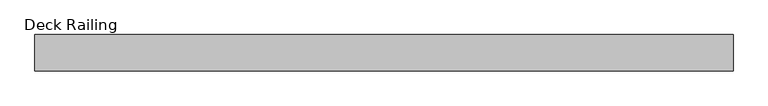
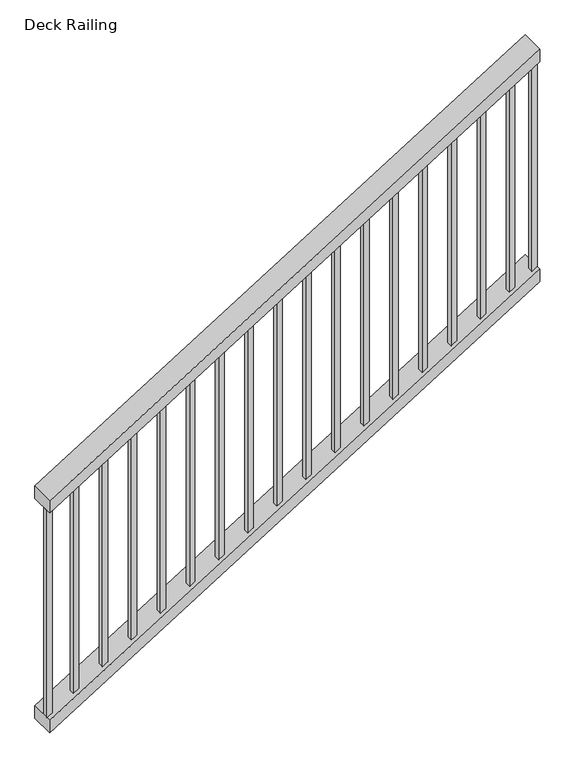
"""IFC4 building model written with IfcOpenShell, lengths in millimetres: railing geometry, Deck Railing."""

from ifc_helpers import new_model, si_unit, frame, origin, place, context, project, spatial, polyline, outline, extrude, source, transform, mapped, element, save


def deck_railing_d9fa50ce(model_context):
    return source(origin(), model_context, "Body", "SweptSolid", [
        extrude(outline(polyline([(1088.5714286, -10449.8871552), (1043.6748436, -10449.8871552), (2112.4540644, -8735.3871552), (2157.3506494, -8735.3871552), (1088.5714286, -10449.8871552)])), frame((0.0, -538.2167866, 0.0), z_axis=(0.0, 1.0, 0.0), x_axis=(0.0, 0.0, 1.0)), (0.0, 0.0, 1.0), 88.9),
        extrude(outline(polyline([(275.7714286, -10449.8871552), (230.8748436, -10449.8871552), (1299.6540644, -8735.3871552), (1344.5506494, -8735.3871552), (275.7714286, -10449.8871552)])), frame((0.0, -538.2167866, 0.0), z_axis=(0.0, 1.0, 0.0), x_axis=(0.0, 0.0, 1.0)), (0.0, 0.0, 1.0), 88.9),
        extrude(outline(polyline([(2051.0982202, -8833.8121552), (1283.1948052, -8833.8121552), (1295.0701299, -8814.7621552), (2062.9735449, -8814.7621552), (2051.0982202, -8833.8121552)])), frame((0.0, -522.3417866, 0.0), z_axis=(0.0, 1.0, 0.0), x_axis=(0.0, 0.0, 1.0)), (0.0, 0.0, 1.0), 19.05),
        extrude(outline(polyline([(1987.7631553, -8935.4121552), (1219.8597403, -8935.4121552), (1231.7350649, -8916.3621552), (1999.6384799, -8916.3621552), (1987.7631553, -8935.4121552)])), frame((0.0, -522.3417866, 0.0), z_axis=(0.0, 1.0, 0.0), x_axis=(0.0, 0.0, 1.0)), (0.0, 0.0, 1.0), 19.05),
        extrude(outline(polyline([(1924.4280903, -9037.0121552), (1156.5246753, -9037.0121552), (1168.4, -9017.9621552), (1936.303415, -9017.9621552), (1924.4280903, -9037.0121552)])), frame((0.0, -522.3417866, 0.0), z_axis=(0.0, 1.0, 0.0), x_axis=(0.0, 0.0, 1.0)), (0.0, 0.0, 1.0), 19.05),
        extrude(outline(polyline([(1861.0930254, -9138.6121552), (1093.1896104, -9138.6121552), (1105.0649351, -9119.5621552), (1872.9683501, -9119.5621552), (1861.0930254, -9138.6121552)])), frame((0.0, -522.3417866, 0.0), z_axis=(0.0, 1.0, 0.0), x_axis=(0.0, 0.0, 1.0)), (0.0, 0.0, 1.0), 19.05),
        extrude(outline(polyline([(1797.7579605, -9240.2121552), (1029.8545455, -9240.2121552), (1041.7298701, -9221.1621552), (1809.6332851, -9221.1621552), (1797.7579605, -9240.2121552)])), frame((0.0, -522.3417866, 0.0), z_axis=(0.0, 1.0, 0.0), x_axis=(0.0, 0.0, 1.0)), (0.0, 0.0, 1.0), 19.05),
        extrude(outline(polyline([(1734.4228955, -9341.8121552), (966.5194805, -9341.8121552), (978.3948052, -9322.7621552), (1746.2982202, -9322.7621552), (1734.4228955, -9341.8121552)])), frame((0.0, -522.3417866, 0.0), z_axis=(0.0, 1.0, 0.0), x_axis=(0.0, 0.0, 1.0)), (0.0, 0.0, 1.0), 19.05),
        extrude(outline(polyline([(1671.0878306, -9443.4121552), (903.1844156, -9443.4121552), (915.0597403, -9424.3621552), (1682.9631553, -9424.3621552), (1671.0878306, -9443.4121552)])), frame((0.0, -522.3417866, 0.0), z_axis=(0.0, 1.0, 0.0), x_axis=(0.0, 0.0, 1.0)), (0.0, 0.0, 1.0), 19.05),
        extrude(outline(polyline([(1607.7527657, -9545.0121552), (839.8493506, -9545.0121552), (851.7246753, -9525.9621552), (1619.6280903, -9525.9621552), (1607.7527657, -9545.0121552)])), frame((0.0, -522.3417866, 0.0), z_axis=(0.0, 1.0, 0.0), x_axis=(0.0, 0.0, 1.0)), (0.0, 0.0, 1.0), 19.05),
        extrude(outline(polyline([(1544.4177007, -9646.6121552), (776.5142857, -9646.6121552), (788.3896104, -9627.5621552), (1556.2930254, -9627.5621552), (1544.4177007, -9646.6121552)])), frame((0.0, -522.3417866, 0.0), z_axis=(0.0, 1.0, 0.0), x_axis=(0.0, 0.0, 1.0)), (0.0, 0.0, 1.0), 19.05),
        extrude(outline(polyline([(1481.0826358, -9748.2121552), (713.1792208, -9748.2121552), (725.0545455, -9729.1621552), (1492.9579605, -9729.1621552), (1481.0826358, -9748.2121552)])), frame((0.0, -522.3417866, 0.0), z_axis=(0.0, 1.0, 0.0), x_axis=(0.0, 0.0, 1.0)), (0.0, 0.0, 1.0), 19.05),
        extrude(outline(polyline([(1417.7475708, -9849.8121552), (649.8441558, -9849.8121552), (661.7194805, -9830.7621552), (1429.6228955, -9830.7621552), (1417.7475708, -9849.8121552)])), frame((0.0, -522.3417866, 0.0), z_axis=(0.0, 1.0, 0.0), x_axis=(0.0, 0.0, 1.0)), (0.0, 0.0, 1.0), 19.05),
        extrude(outline(polyline([(1354.4125059, -9951.4121552), (586.5090909, -9951.4121552), (598.3844156, -9932.3621552), (1366.2878306, -9932.3621552), (1354.4125059, -9951.4121552)])), frame((0.0, -522.3417866, 0.0), z_axis=(0.0, 1.0, 0.0), x_axis=(0.0, 0.0, 1.0)), (0.0, 0.0, 1.0), 19.05),
        extrude(outline(polyline([(1291.077441, -10053.0121552), (523.174026, -10053.0121552), (535.0493506, -10033.9621552), (1302.9527657, -10033.9621552), (1291.077441, -10053.0121552)])), frame((0.0, -522.3417866, 0.0), z_axis=(0.0, 1.0, 0.0), x_axis=(0.0, 0.0, 1.0)), (0.0, 0.0, 1.0), 19.05),
        extrude(outline(polyline([(1227.742376, -10154.6121552), (459.838961, -10154.6121552), (471.7142857, -10135.5621552), (1239.6177007, -10135.5621552), (1227.742376, -10154.6121552)])), frame((0.0, -522.3417866, 0.0), z_axis=(0.0, 1.0, 0.0), x_axis=(0.0, 0.0, 1.0)), (0.0, 0.0, 1.0), 19.05),
        extrude(outline(polyline([(1164.4073111, -10256.2121552), (396.5038961, -10256.2121552), (408.3792208, -10237.1621552), (1176.2826358, -10237.1621552), (1164.4073111, -10256.2121552)])), frame((0.0, -522.3417866, 0.0), z_axis=(0.0, 1.0, 0.0), x_axis=(0.0, 0.0, 1.0)), (0.0, 0.0, 1.0), 19.05),
        extrude(outline(polyline([(1101.0722462, -10357.8121552), (333.1688312, -10357.8121552), (345.0441558, -10338.7621552), (1112.9475708, -10338.7621552), (1101.0722462, -10357.8121552)])), frame((0.0, -522.3417866, 0.0), z_axis=(0.0, 1.0, 0.0), x_axis=(0.0, 0.0, 1.0)), (0.0, 0.0, 1.0), 19.05),
        extrude(outline(polyline([(2100.5787397, -8754.4371552), (1332.6753247, -8754.4371552), (1344.5506494, -8735.3871552), (2112.4540644, -8735.3871552), (2100.5787397, -8754.4371552)])), frame((0.0, -522.3417866, 0.0), z_axis=(0.0, 1.0, 0.0), x_axis=(0.0, 0.0, 1.0)), (0.0, 0.0, 1.0), 19.05),
        extrude(outline(polyline([(1043.6748436, -10449.8871552), (275.7714286, -10449.8871552), (287.6467532, -10430.8371552), (1055.5501682, -10430.8371552), (1043.6748436, -10449.8871552)])), frame((0.0, -522.3417866, 0.0), z_axis=(0.0, 1.0, 0.0), x_axis=(0.0, 0.0, 1.0)), (0.0, 0.0, 1.0), 19.05),
    ])


if __name__ == "__main__":
    model = new_model("IFC4")
    model_context = context("Model", 3, world=origin())
    ifc_project = project(units=[si_unit("LENGTHUNIT", "METRE", prefix="MILLI")], contexts=[model_context])
    site = spatial("IfcSite", under=ifc_project)
    building = spatial("IfcBuilding", under=site)
    placement = place(None, origin())
    deck_railing_shape = deck_railing_d9fa50ce(model_context)
    element("IfcRailing", 1, ObjectType="Deck Railing", at=placement, inside=building, context=model_context, shape_type="MappedRepresentation", body=[
        mapped(deck_railing_shape, transform((0.0, 0.0, 0.0), x_axis=(1.0, 0.0, 0.0), y_axis=(0.0, 1.0, 0.0), z_axis=(0.0, 0.0, 1.0))),
    ])
    save(model, "model.ifc")
